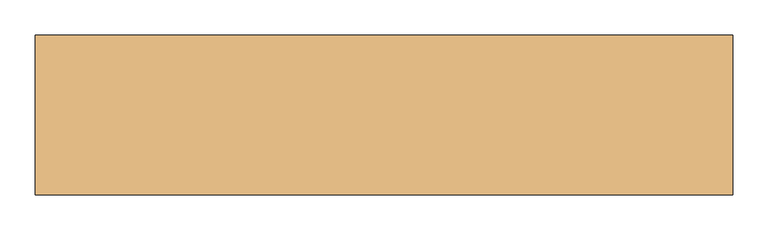
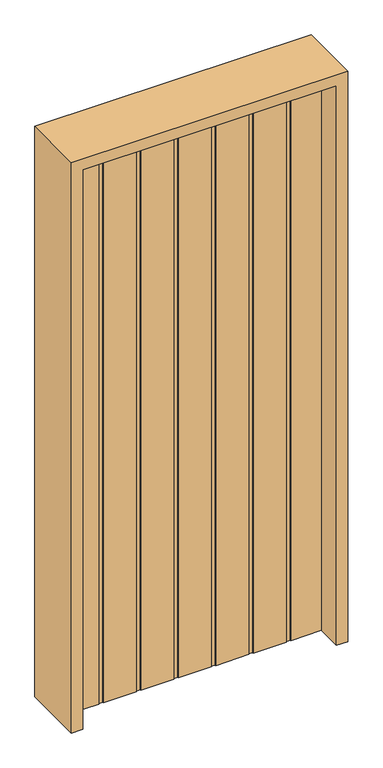
"""IFC4 building model written with IfcOpenShell, lengths in millimetres: door geometry."""

from ifc_helpers import new_model, si_unit, frame, origin, origin_with_axes, place, context, project, spatial, polyline, outline, extrude, source, transform, mapped, element, save


def door_7de9b169(model_context):
    return source(origin(), model_context, "Body", "SweptSolid", [
        extrude(outline(polyline([(-457.2, -20.6375), (-457.2, 20.6375), (-345.9757813, 20.6375), (-345.9757813, 17.4625), (-330.6960938, 17.4625), (-330.6960938, 20.6375), (-210.6414063, 20.6375), (-210.6414063, 17.4625), (-195.3617188, 17.4625), (-195.3617188, 20.6375), (-75.3070313, 20.6375), (-75.3070313, 17.4625), (-60.0273438, 17.4625), (-60.0273438, 20.6375), (60.0273437, 20.6375), (60.0273437, 17.4625), (75.3070312, 17.4625), (75.3070312, 20.6375), (195.3617187, 20.6375), (195.3617187, 17.4625), (210.6414062, 17.4625), (210.6414062, 20.6375), (330.6960937, 20.6375), (330.6960937, 17.4625), (345.9757812, 17.4625), (345.9757812, 20.6375), (457.2, 20.6375), (457.2, -20.6375), (345.9757812, -20.6375), (345.9757812, -17.4625), (330.6960937, -17.4625), (330.6960937, -20.6375), (210.6414062, -20.6375), (210.6414062, -17.4625), (195.3617187, -17.4625), (195.3617187, -20.6375), (75.3070312, -20.6375), (75.3070312, -17.4625), (60.0273437, -17.4625), (60.0273437, -20.6375), (-60.0273438, -20.6375), (-60.0273438, -17.4625), (-75.3070313, -17.4625), (-75.3070313, -20.6375), (-195.3617188, -20.6375), (-195.3617188, -17.4625), (-210.6414063, -17.4625), (-210.6414063, -20.6375), (-330.6960938, -20.6375), (-330.6960938, -17.4625), (-345.9757813, -17.4625), (-345.9757813, -20.6375), (-457.2, -20.6375)])), origin_with_axes(), (0.0, 0.0, 1.0), 2133.6),
        extrude(outline(polyline([(2174.875, -498.475), (0.0, -498.475), (0.0, -457.2), (2133.6, -457.2), (2133.6, 457.2), (0.0, 457.2), (0.0, 498.475), (2174.875, 498.475), (2174.875, -498.475)])), frame((0.0, -114.3, 0.0), z_axis=(0.0, 1.0, 0.0), x_axis=(0.0, 0.0, 1.0)), (0.0, 0.0, 1.0), 228.6),
    ])


if __name__ == "__main__":
    model = new_model("IFC4")
    model_context = context("Model", 3, world=origin())
    ifc_project = project(units=[si_unit("LENGTHUNIT", "METRE", prefix="MILLI")], contexts=[model_context])
    site = spatial("IfcSite", under=ifc_project)
    building = spatial("IfcBuilding", under=site)
    placement = place(None, origin())
    door_shape = door_7de9b169(model_context)
    element("IfcDoor", 1, at=placement, inside=building, context=model_context, shape_type="MappedRepresentation", body=[
        mapped(door_shape, transform((0.0, 0.0, 0.0), x_axis=(1.0, 0.0, 0.0), y_axis=(0.0, 1.0, 0.0), z_axis=(0.0, 0.0, 1.0))),
    ])
    save(model, "model.ifc")
